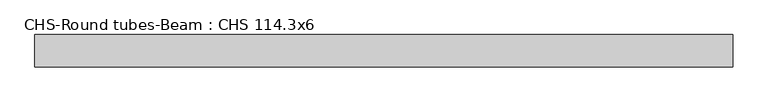
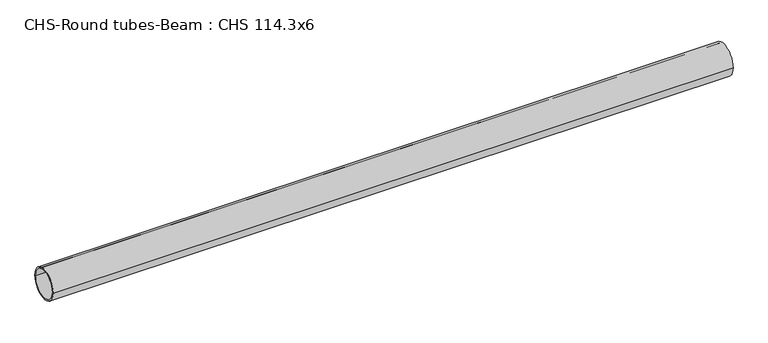
"""IFC4 building model written with IfcOpenShell, lengths in millimetres: beam geometry, CHS-Round tubes-Beam : CHS 114.3x6."""

from ifc_helpers import new_model, si_unit, point, frame, origin, origin_2d, place, context, project, spatial, circle_curve, trimmed, segment, composite_curve, outline, extrude, source, transform, mapped, element, save


def chs_round_tubes_beam_chs_114_3x6_f1ab6b02(model_context):
    return source(origin(), model_context, "Body", "SweptSolid", [
        extrude(outline(composite_curve([segment(trimmed(circle_curve(origin_2d(), 57.15), [point((57.15, 0.0))], [point((-57.15, 0.0))], False, "CARTESIAN"), True, "CONTINUOUS"), segment(trimmed(circle_curve(origin_2d(), 57.15), [point((-57.15, 0.0))], [point((57.15, 0.0))], False, "CARTESIAN"), True, "CONTINUOUS")], self_intersect=False), holes=[composite_curve([segment(trimmed(circle_curve(origin_2d(), 51.15), [point((51.15, 0.0))], [point((-51.15, 0.0))], True, "CARTESIAN"), True, "CONTINUOUS"), segment(trimmed(circle_curve(origin_2d(), 51.15), [point((-51.15, 0.0))], [point((51.15, 0.0))], True, "CARTESIAN"), True, "CONTINUOUS")], self_intersect=False)]), frame((-1204.7387205, 0.0, 0.0), z_axis=(1.0, 0.0, 0.0), x_axis=(0.0, 1.0, 0.0)), (0.0, 0.0, 1.0), 2471.0955617),
    ])


if __name__ == "__main__":
    model = new_model("IFC4")
    model_context = context("Model", 3, world=origin())
    ifc_project = project(units=[si_unit("LENGTHUNIT", "METRE", prefix="MILLI")], contexts=[model_context])
    site = spatial("IfcSite", under=ifc_project)
    building = spatial("IfcBuilding", under=site)
    placement = place(None, origin())
    chs_round_tubes_beam_chs_114_3x6_shape = chs_round_tubes_beam_chs_114_3x6_f1ab6b02(model_context)
    element("IfcBeam", 1, ObjectType="CHS-Round tubes-Beam : CHS 114.3x6", at=placement, inside=building, context=model_context, shape_type="MappedRepresentation", body=[
        mapped(chs_round_tubes_beam_chs_114_3x6_shape, transform((0.0, 0.0, 0.0), x_axis=(1.0, 0.0, 0.0), y_axis=(0.0, 1.0, 0.0), z_axis=(0.0, 0.0, 1.0))),
    ])
    save(model, "model.ifc")
